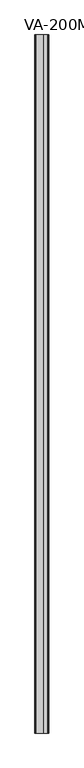
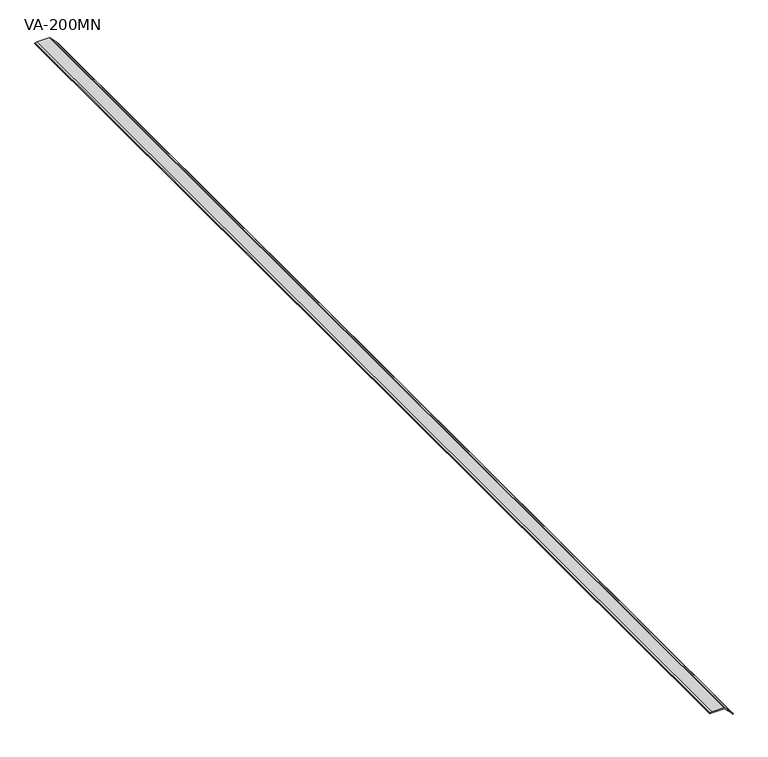
"""IFC4 building model written with IfcOpenShell, lengths in millimetres: proxy geometry, VA-200MN."""

from ifc_helpers import new_model, si_unit, point, frame, frame_2d, origin, place, context, project, spatial, polyline, circle_curve, trimmed, segment, composite_curve, outline, extrude, source, transform, mapped, element, save


def va_200mn_78fe2bc0(model_context):
    return source(origin(), model_context, "Body", "SweptSolid", [
        extrude(outline(composite_curve([segment(polyline([(1.3005343, -30.0140695), (1.3005343, 0.7916296), (-16.3148294, 18.4069932), (-21.3770921, 22.5050154), (-20.499292, 23.3828155)]), True, "CONTINUOUS"), segment(trimmed(circle_curve(frame_2d((-19.6422625, 22.5257861)), 1.2120227), [point((-20.499292, 23.3828155))], [point((-18.9158979, 23.4960404))], False, "CARTESIAN"), True, "CONTINUOUS"), segment(polyline([(-18.9158979, 23.4960404), (-14.5825714, 19.9344021), (2.7041879, 2.6476429)]), True, "CONTINUOUS"), segment(trimmed(circle_curve(frame_2d((0.5397744, 0.4832294)), 3.0609429), [point((2.7041879, 2.6476429))], [point((3.562333, 0.0))], False, "CARTESIAN"), True, "CONTINUOUS"), segment(polyline([(3.562333, 0.0), (3.562333, -30.1271594), (2.9907949, -35.3694238)]), True, "CONTINUOUS"), segment(trimmed(circle_curve(frame_2d((1.8688048, -35.337759)), 1.1224369), [point((2.9907949, -35.3694238))], [point((1.8688048, -36.4601959))], False, "CARTESIAN"), True, "CONTINUOUS"), segment(polyline([(1.8688048, -36.4601959), (0.6378484, -36.4601959), (1.3005343, -30.0140695)]), True, "CONTINUOUS")], self_intersect=False)), frame((0.0, -1141.4125, 0.0), z_axis=(0.0, 1.0, 0.0), x_axis=(0.0, 0.0, 1.0)), (0.0, 0.0, 1.0), 3021.0125),
    ])


if __name__ == "__main__":
    model = new_model("IFC4")
    model_context = context("Model", 3, world=origin())
    ifc_project = project(units=[si_unit("LENGTHUNIT", "METRE", prefix="MILLI")], contexts=[model_context])
    site = spatial("IfcSite", under=ifc_project)
    building = spatial("IfcBuilding", under=site)
    placement = place(None, origin())
    va_200mn_shape = va_200mn_78fe2bc0(model_context)
    element("IfcBuildingElementProxy", 1, Name="VA-200MN", ObjectType="VA-200MN", at=placement, inside=building, context=model_context, shape_type="MappedRepresentation", body=[
        mapped(va_200mn_shape, transform((0.0, 0.0, 0.0), x_axis=(1.0, 0.0, 0.0), y_axis=(0.0, 1.0, 0.0), z_axis=(0.0, 0.0, 1.0))),
    ])
    save(model, "model.ifc")
